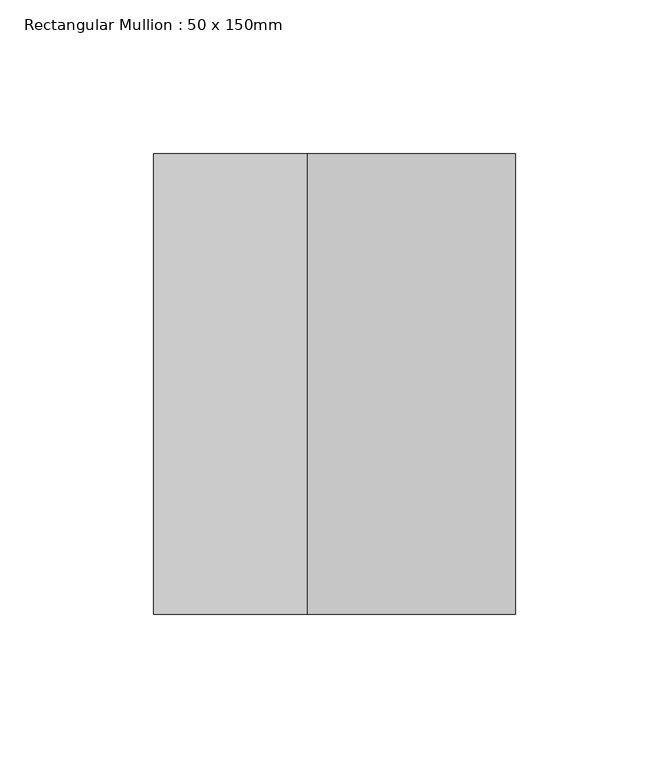
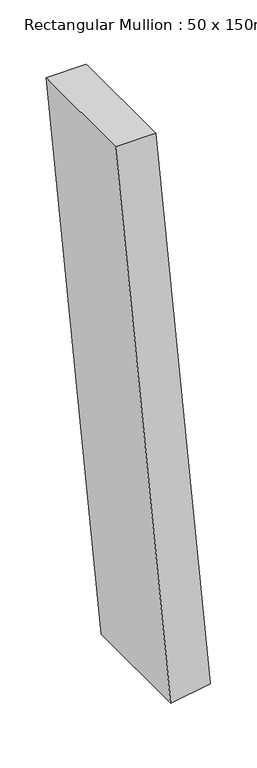
"""IFC4 building model written with IfcOpenShell, lengths in millimetres: member geometry, Rectangular Mullion : 50 x 150mm."""

from ifc_helpers import new_model, si_unit, point, frame, frame_2d, origin, place, context, project, spatial, polyline, circle_curve, trimmed, segment, composite_curve, outline, extrude, source, transform, mapped, element, save


def rectangular_mullion_50_x_150mm_e0ed665f(model_context):
    return source(origin(), model_context, "Body", "SweptSolid", [
        extrude(outline(composite_curve([segment(trimmed(circle_curve(frame_2d((0.0, 4163.3746925)), 4163.3746925), [point((-749.4380427, 68.007621))], [point((0.0, 0.0))], True, "CARTESIAN"), True, "CONTINUOUS"), segment(polyline([(0.0, 0.0), (0.0, -50.0)]), True, "CONTINUOUS"), segment(trimmed(circle_curve(frame_2d((0.0, 4163.3746925)), 4213.3746925), [point((0.0, -50.0))], [point((-758.4384101, 18.8243577))], False, "CARTESIAN"), True, "CONTINUOUS"), segment(polyline([(-758.4384101, 18.8243577), (-749.4380427, 68.007621)]), True, "CONTINUOUS")], self_intersect=False)), frame((0.0, -75.0, 0.0), z_axis=(0.0, 1.0, 0.0), x_axis=(0.0, 0.0, 1.0)), (0.0, 0.0, 1.0), 150.0),
    ])


if __name__ == "__main__":
    model = new_model("IFC4")
    model_context = context("Model", 3, world=origin())
    ifc_project = project(units=[si_unit("LENGTHUNIT", "METRE", prefix="MILLI")], contexts=[model_context])
    site = spatial("IfcSite", under=ifc_project)
    building = spatial("IfcBuilding", under=site)
    placement = place(None, origin())
    rectangular_mullion_50_x_150mm_shape = rectangular_mullion_50_x_150mm_e0ed665f(model_context)
    element("IfcMember", 1, ObjectType="Rectangular Mullion : 50 x 150mm", at=placement, inside=building, context=model_context, shape_type="MappedRepresentation", body=[
        mapped(rectangular_mullion_50_x_150mm_shape, transform((0.0, 0.0, 0.0), x_axis=(1.0, 0.0, 0.0), y_axis=(0.0, 1.0, 0.0), z_axis=(0.0, 0.0, 1.0))),
    ])
    save(model, "model.ifc")
